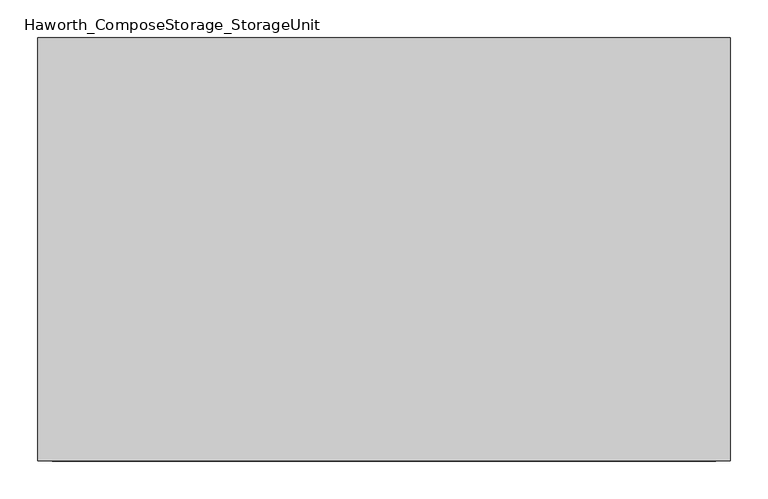
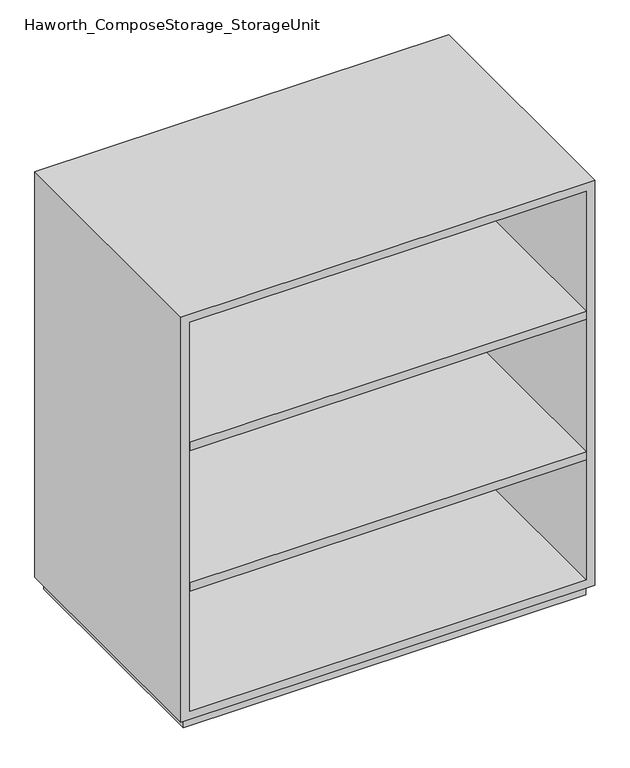
"""IFC4 building model written with IfcOpenShell, lengths in millimetres: furniture geometry, Haworth_ComposeStorage_StorageUnit."""

from ifc_helpers import new_model, si_unit, frame, origin, origin_with_axes, place, context, project, spatial, polyline, outline, extrude, source, transform, mapped, element, save


def haworth_composestorage_storageunit_fa2b8c6e(model_context):
    return source(origin(), model_context, "Body", "SweptSolid", [
        extrude(outline(polyline([(438.1569453, 295.275), (438.1569453, -228.6), (-438.1291641, -228.6), (-438.1291641, 295.275), (438.1569453, 295.275)])), frame((0.0, 0.0, 652.9916667), z_axis=(0.0, 0.0, 1.0), x_axis=(1.0, 0.0, 0.0)), (0.0, 0.0, 1.0), 19.05),
        extrude(outline(polyline([(438.1569453, 295.275), (438.1569453, -228.6), (-438.1291641, -228.6), (-438.1291641, 295.275), (438.1569453, 295.275)])), frame((0.0, 0.0, 324.9083333), z_axis=(0.0, 0.0, 1.0), x_axis=(1.0, 0.0, 0.0)), (0.0, 0.0, 1.0), 19.05),
        extrude(outline(polyline([(25.4, -457.1861094), (25.4, 457.2138906), (971.55, 457.2138906), (971.55, -457.1861094), (25.4, -457.1861094)]), holes=[polyline([(44.45, -438.1361094), (952.5, -438.1361094), (952.5, 438.1569453), (44.45, 438.1569453), (44.45, -438.1361094)])]), frame((0.0, -228.6, 0.0), z_axis=(0.0, 1.0, 0.0), x_axis=(0.0, 0.0, 1.0)), (0.0, 0.0, 1.0), 558.8),
        extrude(outline(polyline([(-438.1291641, 295.275), (-438.1291641, 304.8), (438.1569453, 304.8), (438.1569453, 295.275), (-438.1291641, 295.275)])), frame((0.0, 0.0, 44.45), z_axis=(0.0, 0.0, 1.0), x_axis=(1.0, 0.0, 0.0)), (0.0, 0.0, 1.0), 908.05),
        extrude(outline(polyline([(444.5138906, -215.9), (-444.4861094, -215.9), (-444.4861094, 317.5), (444.5138906, 317.5), (444.5138906, -215.9)])), origin_with_axes(), (0.0, 0.0, 1.0), 25.4),
    ])


if __name__ == "__main__":
    model = new_model("IFC4")
    model_context = context("Model", 3, world=origin())
    ifc_project = project(units=[si_unit("LENGTHUNIT", "METRE", prefix="MILLI")], contexts=[model_context])
    site = spatial("IfcSite", under=ifc_project)
    building = spatial("IfcBuilding", under=site)
    placement = place(None, origin())
    haworth_composestorage_storageunit_shape = haworth_composestorage_storageunit_fa2b8c6e(model_context)
    element("IfcFurniture", 1, ObjectType="Haworth_ComposeStorage_StorageUnit", at=placement, inside=building, context=model_context, shape_type="MappedRepresentation", body=[
        mapped(haworth_composestorage_storageunit_shape, transform((0.0, 0.0, 0.0), x_axis=(1.0, 0.0, 0.0), y_axis=(0.0, 1.0, 0.0), z_axis=(0.0, 0.0, 1.0))),
    ])
    save(model, "model.ifc")
